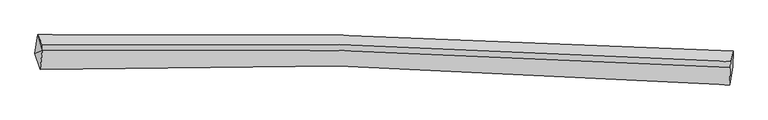
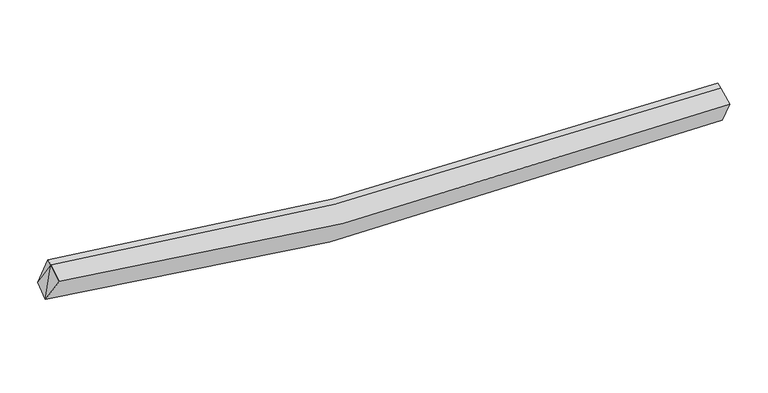
"""IFC4 building model written with IfcOpenShell, lengths in millimetres: proxy geometry."""

from ifc_helpers import new_model, si_unit, frame, origin, place, context, project, spatial, source, transform, mapped, element, save
from ifc_brep_helpers import plane_surface, spline_curve, spline_surface, advanced_brep


def generic_models_4bf17aec(model_context):
    return source(origin(), model_context, "Body", "AdvancedBrep", [
        advanced_brep(
        [(-7230.7734613, -2014.579701, 3224.2355078), (-7167.4000242, -1580.9707498, 3366.4727236), (8762.802393, -1958.5892148, 2492.5485252), (8750.9614631, -2304.9107998, 2326.4726018), (-7113.1137451, -2383.8868813, 3853.5930464), (8682.4014197, -2733.0785474, 3022.4409203), (-7062.9868032, -1946.2597028, 3993.897508), (8699.0161705, -2332.3137826, 3165.9438513), (-7057.3461641, -1813.7908114, 4038.8438762), (8704.6568096, -2199.8448912, 3210.8902195)],
        [
            (0, 1),
            (1, 2, spline_curve(3, [(-7167.4000242, -1580.9707498, 3366.4727236), (-4898.967744611, -1540.74167195, 2974.544877731), (-2617.668904608, -1541.500706074, 2697.675845251), (2683.165535572, -1637.960496259, 2323.801679745), (5711.934168572, -1763.074283416, 2309.362645332), (8762.802393, -1958.5892148, 2492.5485252)], [4, 2, 4], [0.0, 22.76138230544233, 52.591813661353015])),
            (2, 3),
            (3, 0, spline_curve(3, [(8750.9614631, -2304.9107998, 2326.4726018), (5691.448849991, -2037.719857828, 1992.56467407), (2653.412579217, -1890.945975694, 1944.328712728), (-2664.859753161, -1844.478221033, 2362.934464931), (-4954.068456403, -1894.475070825, 2710.424728203), (-7230.7734613, -2014.579701, 3224.2355078)], [4, 2, 4], [0.0, 29.830431355910687, 52.591813661353015])),
            (4, 0),
            (3, 5),
            (5, 4, spline_curve(3, [(8682.4014197, -2733.0785474, 3022.4409203), (5684.514530563, -2484.202720495, 2702.507433598), (2693.119880926, -2339.043221164, 2653.176098317), (-2569.339435016, -2265.977845537, 3043.282210349), (-4843.116506659, -2294.740123629, 3369.664253512), (-7113.1137451, -2383.8868813, 3853.5930464)], [4, 2, 4], [0.0, 29.731100326950926, 52.41669051601482])),
            (6, 4),
            (5, 7),
            (7, 6, spline_curve(3, [(8699.0161705, -2332.3137826, 3165.9438513), (5704.42328184, -2127.487693148, 2948.25312273), (2718.048139508, -1997.439454824, 2942.828756454), (-2532.519543098, -1899.996345291, 3307.496488204), (-4800.145392315, -1901.359891472, 3588.905406516), (-7062.9868032, -1946.2597028, 3993.897508)], [4, 2, 4], [0.0, 29.495957195241353, 52.00212715891584])),
            (8, 6),
            (7, 9),
            (9, 8, spline_curve(3, [(8704.6568096, -2199.8448912, 3210.8902195), (5710.063921084, -1995.018801796, 2993.199490605), (2723.68877903, -1864.970562627, 2987.775124783), (-2526.878904497, -1767.5274545, 3352.442856306), (-4794.504753305, -1768.890999636, 3633.851774702), (-7057.3461641, -1813.7908114, 4038.8438762)], [4, 2, 4], [0.0, 29.445705939360984, 51.91353290917209])),
            (1, 8),
            (9, 2),
            (1, 6),
            (6, 0),
        ],
        [
            spline_surface(3, 3, [[(-7230.7734613, -2014.579701, 3224.2355078), (-4954.06845648, -1894.475071017, 2710.424728242), (-2664.859753038, -1844.478221335, 2362.934465022), (2653.412579057, -1890.945975298, 1944.328712608), (5691.448850385, -2037.71985787, 1992.564673854), (8750.9614631, -2304.9107998, 2326.4726018)], [(-7209.648982247, -1870.043383933, 3271.647913066), (-4935.701552512, -1776.563937985, 2798.464777962), (-2649.129470264, -1743.485716321, 2474.514925134), (2663.330231286, -1806.617482239, 2070.819701546), (5698.277289665, -1946.17133303, 2098.163997693), (8754.908439723, -2189.470271444, 2381.831242945)], [(-7188.524503253, -1725.507066867, 3319.060318334), (-4917.334648604, -1658.652804953, 2886.504827684), (-2633.399187503, -1642.493211243, 2586.095385326), (2673.247883502, -1722.288989116, 2197.310690563), (5705.105728976, -1854.622808256, 2203.763321498), (8758.855416377, -2074.029743156, 2437.189884055)], [(-7167.4000242, -1580.9707498, 3366.4727236), (-4898.967744636, -1540.74167192, 2974.544877405), (-2617.668904729, -1541.500706229, 2697.675845438), (2683.165535731, -1637.960496056, 2323.8016795), (5711.934168255, -1763.074283416, 2309.362645337), (8762.802393, -1958.5892148, 2492.5485252)]], [4, 4], [4, 2, 4], [0.0, 1.4862384654539103], [0.0, 22.76138230544233, 52.591813661353015]),
            spline_surface(3, 3, [[(-7113.1137451, -2383.8868813, 3853.5930464), (-4843.116506989, -2294.740123873, 3369.664253788), (-2569.339435242, -2265.977845892, 3043.2822102), (2693.119881222, -2339.043220699, 2653.176098513), (5684.514531057, -2484.202720709, 2702.507433366), (8682.4014197, -2733.0785474, 3022.4409203)], [(-7152.333650506, -2260.784487872, 3643.807200214), (-4880.100490159, -2161.318439593, 3149.917745286), (-2601.17954116, -2125.477971028, 2816.499628487), (2679.884113847, -2189.677472221, 2416.893636558), (5686.825970834, -2335.375099787, 2465.859846845), (8705.2547675, -2590.355964891, 2790.451480783)], [(-7191.553555894, -2137.682094428, 3434.021353986), (-4917.084473311, -2027.896755298, 2930.171236743), (-2633.019647119, -1984.978096199, 2589.717046735), (2666.648346432, -2040.311723776, 2180.611174564), (5689.137410609, -2186.547478792, 2229.212260375), (8728.1081153, -2447.633382309, 2558.462041317)], [(-7230.7734613, -2014.579701, 3224.2355078), (-4954.06845648, -1894.475071017, 2710.424728242), (-2664.859753038, -1844.478221335, 2362.934465022), (2653.412579057, -1890.945975298, 1944.328712608), (5691.448850385, -2037.71985787, 1992.564673854), (8750.9614631, -2304.9107998, 2326.4726018)]], [4, 4], [4, 2, 4], [0.0, 2.7094434213251968], [0.0, 22.68559018906389, 52.41669051601482]),
            spline_surface(3, 3, [[(-7062.9868032, -1946.2597028, 3993.897508), (-4800.145392159, -1901.359891309, 3588.90540642), (-2532.51954329, -1899.996345664, 3307.496488087), (2718.048139759, -1997.439454335, 2942.828756608), (5704.423282152, -2127.487693251, 2948.253122704), (8699.0161705, -2332.3137826, 3165.9438513)], [(-7079.695783848, -2092.13542897, 3947.129354111), (-4814.469097117, -2032.4866355, 3515.825022187), (-2544.792840612, -2021.990179061, 3219.425062113), (2709.738720242, -2111.307376444, 2846.277870564), (5697.787031794, -2246.392702411, 2866.337892918), (8693.477920241, -2465.90203754, 3118.10954096)], [(-7096.404764452, -2238.01115513, 3900.361200289), (-4828.792802031, -2163.613379682, 3442.744638021), (-2557.06613792, -2143.984012495, 3131.353636174), (2701.429300739, -2225.17529859, 2749.726984556), (5691.150781415, -2365.297711549, 2784.422663152), (8687.939669959, -2599.49029246, 3070.27523064)], [(-7113.1137451, -2383.8868813, 3853.5930464), (-4843.116506989, -2294.740123873, 3369.664253788), (-2569.339435242, -2265.977845892, 3043.2822102), (2693.119881222, -2339.043220699, 2653.176098513), (5684.514531057, -2484.202720709, 2702.507433366), (8682.4014197, -2733.0785474, 3022.4409203)]], [4, 4], [4, 2, 4], [0.0, 1.473841217658039], [0.0, 22.506169963674488, 52.00212715891584]),
            spline_surface(3, 3, [[(-7057.3461641, -1813.7908114, 4038.8438762), (-4794.504753059, -1768.890999909, 3633.85177462), (-2526.87890429, -1767.527454264, 3352.442856287), (2723.688778759, -1864.970562935, 2987.775124808), (5710.063921252, -1995.018801851, 2993.199490904), (8704.6568096, -2199.8448912, 3210.8902195)], [(-7059.22637712, -1857.947108525, 4023.861753487), (-4796.384966079, -1813.047297035, 3618.869651907), (-2528.75911731, -1811.683751389, 3337.460733574), (2721.808565739, -1909.126860061, 2972.793002095), (5708.183708231, -2039.175098976, 2978.217368191), (8702.77659658, -2244.001188325, 3195.908096787)], [(-7061.10659018, -1902.103405675, 4008.879630713), (-4798.265179138, -1857.203594184, 3603.887529132), (-2530.63933027, -1855.840048539, 3322.4786108), (2719.928352779, -1953.28315721, 2957.81087932), (5706.303495172, -2083.331396126, 2963.235245416), (8700.89638352, -2288.157485475, 3180.925974013)], [(-7062.9868032, -1946.2597028, 3993.897508), (-4800.145392159, -1901.359891309, 3588.90540642), (-2532.51954329, -1899.996345664, 3307.496488087), (2718.048139759, -1997.439454335, 2942.828756608), (5704.423282152, -2127.487693251, 2948.253122704), (8699.0161705, -2332.3137826, 3165.9438513)]], [4, 4], [4, 2, 4], [0.0, 0.4593175853018386], [0.0, 22.467826969811107, 51.91353290917209]),
            spline_surface(3, 3, [[(-7167.4000242, -1580.9707498, 3366.4727236), (-4898.967744636, -1540.74167192, 2974.544877405), (-2617.668904729, -1541.500706229, 2697.675845438), (2683.165535731, -1637.960496056, 2323.8016795), (5711.934168255, -1763.074283416, 2309.362645337), (8762.802393, -1958.5892148, 2492.5485252)], [(-7130.715404179, -1658.577437, 3590.596441122), (-4864.146747456, -1616.791447917, 3194.313843131), (-2587.405571242, -1616.842955584, 2915.931515726), (2696.673283414, -1713.63051836, 2545.126161274), (5711.310752577, -1840.389122893, 2537.308260517), (8743.420531856, -2039.007773599, 2731.995756625)], [(-7094.030784121, -1736.1841242, 3814.720158678), (-4829.325750239, -1692.841223913, 3414.082808893), (-2557.142237776, -1692.185204909, 3134.187185999), (2710.181031076, -1789.300540632, 2766.450643034), (5710.68733693, -1917.703962373, 2765.253875723), (8724.038670744, -2119.426332401, 2971.442988075)], [(-7057.3461641, -1813.7908114, 4038.8438762), (-4794.504753059, -1768.890999909, 3633.85177462), (-2526.87890429, -1767.527454264, 3352.442856287), (2723.688778759, -1864.970562935, 2987.775124808), (5710.063921252, -1995.018801851, 2993.199490904), (8704.6568096, -2199.8448912, 3210.8902195)]], [4, 4], [4, 2, 4], [0.0, 2.3014394343946933], [0.0, 22.585207498383895, 52.184749077124025]),
            plane_surface(frame((8719.9676512, -2305.7474471, 2843.6592236), z_axis=(0.9962546458264451, -0.0626441637043968, 0.05960192465853365), x_axis=(-0.03900116731835344, -0.9407480050273875, -0.33685620075159134))),
            plane_surface(frame((-7095.9109971, -1780.3404213, 3799.7380359), z_axis=(-0.9874273548770798, -0.01144760240961537, 0.15765840047242963), x_axis=(0.14235225641683188, -0.4980184137736106, 0.8554025336854301))),
            plane_surface(frame((-7135.6246699, -2114.9087617, 3690.5753541), z_axis=(-0.9768893941337581, 0.04489682878610911, 0.20897699967683064), x_axis=(0.15918540534784076, -0.4996469061940979, 0.8514769379465953))),
            plane_surface(frame((-7153.7200962, -1847.2700512, 3528.2019131), z_axis=(-0.9756650073910766, 0.07501024054443972, 0.20603702862843823), x_axis=(-0.1375525804090559, -0.9411518894782563, -0.3087270777795793))),
        ],
        [
            (0, [[1, 2, 3, 4]]),
            (1, [[5, -4, 6, 7]]),
            (2, [[8, -7, 9, 10]]),
            (3, [[11, -10, 12, 13]]),
            (4, [[14, -13, 15, -2]]),
            (5, [[-9, -6, -3, -15, -12]]),
            (6, [[16, -11, -14]]),
            (7, [[-5, -8, 17]]),
            (8, [[-1, -17, -16]]),
        ],
    ),
    ])


if __name__ == "__main__":
    model = new_model("IFC4")
    model_context = context("Model", 3, world=origin())
    ifc_project = project(units=[si_unit("LENGTHUNIT", "METRE", prefix="MILLI")], contexts=[model_context])
    site = spatial("IfcSite", under=ifc_project)
    building = spatial("IfcBuilding", under=site)
    placement = place(None, origin())
    generic_models_shape = generic_models_4bf17aec(model_context)
    element("IfcBuildingElementProxy", 1, Name="Generic Models", at=placement, inside=building, context=model_context, shape_type="MappedRepresentation", body=[
        mapped(generic_models_shape, transform((0.0, 0.0, 0.0), x_axis=(1.0, 0.0, 0.0), y_axis=(0.0, 1.0, 0.0), z_axis=(0.0, 0.0, 1.0))),
    ])
    save(model, "model.ifc")
